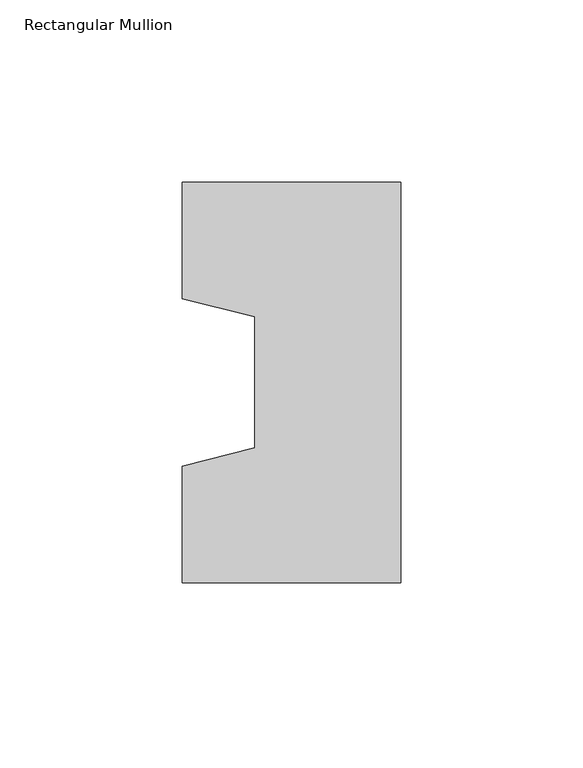
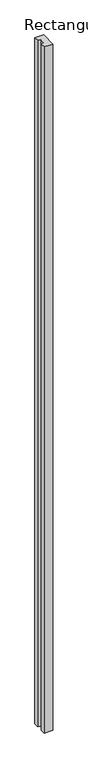
"""IFC4 building model written with IfcOpenShell, lengths in millimetres: column geometry, Rectangular Mullion."""

import ifcopenshell
import ifcopenshell.guid

model = None  # the IFC model being written
_history = None  # IfcOwnerHistory: only IFC2X3 demands one
_inside = {}  # id of a spatial element -> (the spatial element, [elements in it])
_under = {}  # id of a project, library or spatial element -> (it, [spatial elements below it])
_declared = {}  # id of a project -> (the project, [libraries it declares])
_typed = {}  # id of a type object -> (the type object, [elements of that type])
_made_of = {}  # id of a material, layer set ... -> (it, [elements and type objects made of it])


def new_model(schema):
    """Start an empty IFC model of exactly this schema.

    Asked for "IFC4X3", IfcOpenShell would pick the latest addendum, in which some entities
    have other attributes; the version numbers below select the first issue.
    IFC2X3 requires an IfcOwnerHistory on every rooted entity: one is made here for all.
    """
    global model, _history
    if schema == "IFC4X3":
        model = ifcopenshell.file(schema_version=(4, 3, 0, 0))
    else:
        model = ifcopenshell.file(schema=schema)
    _inside.clear()
    _under.clear()
    _declared.clear()
    _typed.clear()
    _made_of.clear()
    _history = None
    if model.schema == "IFC2X3":
        org = make("IfcOrganization", Name="unknown")
        user = make(
            "IfcPersonAndOrganization",
            ThePerson=make("IfcPerson", FamilyName="unknown"),
            TheOrganization=org,
        )
        app = make(
            "IfcApplication",
            ApplicationDeveloper=org,
            Version="unknown",
            ApplicationFullName="unknown",
            ApplicationIdentifier="unknown",
        )
        _history = make(
            "IfcOwnerHistory",
            OwningUser=user,
            OwningApplication=app,
            ChangeAction="ADDED",
            CreationDate=0,
        )
    return model


def make(cls, **values):
    """One entity of the class cls with the attributes given. An attribute that is None is left unset."""
    return model.create_entity(
        cls, **{name: value for name, value in values.items() if value is not None}
    )


def rooted(cls, **values):
    """An entity with a GlobalId (a new one), such as an element, a storey or a relation."""
    return make(cls, GlobalId=ifcopenshell.guid.new(), OwnerHistory=_history, **values)


def si_unit(unit_type, name, prefix=None):
    """IfcSIUnit, for example si_unit("LENGTHUNIT", "METRE", prefix="MILLI")."""
    return make("IfcSIUnit", UnitType=unit_type, Prefix=prefix, Name=name)


def assignment(units):
    """IfcUnitAssignment: the units of a project."""
    return None if units is None else make("IfcUnitAssignment", Units=units)


def point(xyz):
    """IfcCartesianPoint."""
    return None if xyz is None else make("IfcCartesianPoint", Coordinates=xyz)


def direction(xyz):
    """IfcDirection."""
    return None if xyz is None else make("IfcDirection", DirectionRatios=xyz)


def frame(location, z_axis=None, x_axis=None):
    """IfcAxis2Placement3D, a coordinate frame: its origin and axes. An axis left out is left unset."""
    return make(
        "IfcAxis2Placement3D",
        Location=point(location),
        Axis=direction(z_axis),
        RefDirection=direction(x_axis),
    )


def origin():
    """The frame at (0, 0, 0) with its axes left unset."""
    return frame((0.0, 0.0, 0.0))


def place(relative_to, where):
    """IfcLocalPlacement: puts the frame where relative to a parent placement (None: the world)."""
    return make(
        "IfcLocalPlacement", PlacementRelTo=relative_to, RelativePlacement=where
    )


def context(
    kind, dimensions, precision=None, world=None, true_north=None, identifier=None
):
    """IfcGeometricRepresentationContext, for example the 3D "Model" context."""
    return make(
        "IfcGeometricRepresentationContext",
        ContextIdentifier=identifier,
        ContextType=kind,
        CoordinateSpaceDimension=dimensions,
        Precision=precision,
        WorldCoordinateSystem=world,
        TrueNorth=true_north,
    )


def project(units=None, contexts=None):
    """IfcProject with its units and contexts."""
    return rooted(
        "IfcProject",
        Name="project",
        RepresentationContexts=contexts,
        UnitsInContext=assignment(units),
    )


def spatial(cls, under=None, at=None, **own):
    """A site, building, storey or space (cls), placed at a placement, below another one or the project."""
    s = rooted(cls, ObjectPlacement=at, **own)
    if under is not None:
        _under.setdefault(under.id(), (under, []))[1].append(s)
    return s


def polyline(points):
    """IfcPolyline through the points."""
    return make("IfcPolyline", Points=[point(p) for p in points])


def outline(outer, holes=None, kind="AREA"):
    """IfcArbitraryClosedProfileDef: a profile drawn as a closed curve; with holes, ...WithVoids."""
    if holes is None:
        return make("IfcArbitraryClosedProfileDef", ProfileType=kind, OuterCurve=outer)
    return make(
        "IfcArbitraryProfileDefWithVoids",
        ProfileType=kind,
        OuterCurve=outer,
        InnerCurves=holes,
    )


def extrude(swept, where, along, depth):
    """IfcExtrudedAreaSolid: the profile swept, set in the frame where, extruded along a direction by depth."""
    return make(
        "IfcExtrudedAreaSolid",
        SweptArea=swept,
        Position=where,
        ExtrudedDirection=direction(along),
        Depth=depth,
    )


def shape(context_of_items, identifier, shape_type, items):
    """IfcShapeRepresentation: the items that make up one representation, for example the "Body"."""
    return make(
        "IfcShapeRepresentation",
        ContextOfItems=context_of_items,
        RepresentationIdentifier=identifier,
        RepresentationType=shape_type,
        Items=items,
    )


def source(mapping_origin, context_of_items, identifier, shape_type, items):
    """IfcRepresentationMap: a shape defined once, which mapped items show again and again."""
    return make(
        "IfcRepresentationMap",
        MappingOrigin=mapping_origin,
        MappedRepresentation=shape(context_of_items, identifier, shape_type, items),
    )


def transform(
    local_origin,
    x_axis=None,
    y_axis=None,
    z_axis=None,
    scale=None,
    scale2=None,
    scale3=None,
    uniform=True,
):
    """IfcCartesianTransformationOperator3D, or its non-uniform kind. x_axis, y_axis, z_axis: its Axis1, 2, 3."""
    if uniform:
        return make(
            "IfcCartesianTransformationOperator3D",
            Axis1=direction(x_axis),
            Axis2=direction(y_axis),
            LocalOrigin=point(local_origin),
            Scale=scale,
            Axis3=direction(z_axis),
        )
    return make(
        "IfcCartesianTransformationOperator3DnonUniform",
        Axis1=direction(x_axis),
        Axis2=direction(y_axis),
        LocalOrigin=point(local_origin),
        Scale=scale,
        Axis3=direction(z_axis),
        Scale2=scale2,
        Scale3=scale3,
    )


def mapped(mapping_source, mapping_target):
    """IfcMappedItem: shows the shape of a source again, moved by a transform."""
    return make(
        "IfcMappedItem", MappingSource=mapping_source, MappingTarget=mapping_target
    )


def made_of(thing, what):
    """Note that an element or type object is made of a material, layer set ...; save() writes the relation."""
    if what is not None:
        _made_of.setdefault(what.id(), (what, []))[1].append(thing)
    return thing


def element(
    cls,
    number,
    at=None,
    inside=None,
    cuts=None,
    type_object=None,
    material=None,
    context=None,
    identifier="Body",
    shape_type=None,
    held_by="IfcProductDefinitionShape",
    body=None,
    shapes=None,
    **own,
):
    """One element of the class cls, such as IfcWall. Its Tag is "e" and its number.

    at: its placement. inside: the storey or other place that contains it. cuts: it is an
    opening in that element (IfcRelVoidsElement). A single representation is given by context,
    identifier, shape_type and body (its items); several are given by shapes. held_by: the class
    of the entity that holds the representations. save() writes the other relations.
    """
    e = rooted(cls, Tag="e%d" % number, ObjectPlacement=at, **own)
    if body is not None:
        shapes = [shape(context, identifier, shape_type, body)]
    if shapes is not None:
        e.Representation = make(held_by, Representations=shapes)
    if inside is not None:
        _inside.setdefault(inside.id(), (inside, []))[1].append(e)
    if cuts is not None:
        rooted(
            "IfcRelVoidsElement", RelatingBuildingElement=cuts, RelatedOpeningElement=e
        )
    if type_object is not None:
        _typed.setdefault(type_object.id(), (type_object, []))[1].append(e)
    return made_of(e, material)


def aggregate(whole, parts):
    """IfcRelAggregates: a whole, such as a stair, and the parts it consists of."""
    return rooted("IfcRelAggregates", RelatingObject=whole, RelatedObjects=parts)


def save(model, path):
    """Write the relations noted so far, then the file.

    IfcRelAggregates (storeys below a building ...), IfcRelContainedInSpatialStructure (elements
    in a storey), IfcRelDefinesByType, IfcRelAssociatesMaterial and IfcRelDeclares: one each for
    every whole, place, type object, material and project.
    """
    for whole, parts in _under.values():
        aggregate(whole, parts)
    for where, things in _inside.values():
        rooted(
            "IfcRelContainedInSpatialStructure",
            RelatedElements=things,
            RelatingStructure=where,
        )
    for kind, things in _typed.values():
        rooted("IfcRelDefinesByType", RelatedObjects=things, RelatingType=kind)
    for what, things in _made_of.values():
        rooted("IfcRelAssociatesMaterial", RelatedObjects=things, RelatingMaterial=what)
    for by, libraries in _declared.values():
        rooted("IfcRelDeclares", RelatingContext=by, RelatedDefinitions=libraries)
    model.write(path)


def rectangular_mullion_cb7187a4(model_context):
    return source(origin(), model_context, "Body", "SweptSolid", [
        extrude(outline(polyline([(-60.0, 55.0), (0.0, 55.0), (0.0, -55.0), (-60.0, -55.0), (-60.0, -23.0), (-40.0, -18.0), (-40.0, 18.0), (-60.0, 23.0), (-60.0, 55.0)])), frame((0.0, 0.0, -5000.0), z_axis=(0.0, 0.0, 1.0), x_axis=(1.0, 0.0, 0.0)), (0.0, 0.0, 1.0), 5000.0),
    ])


if __name__ == "__main__":
    model = new_model("IFC4")
    model_context = context("Model", 3, world=origin())
    ifc_project = project(units=[si_unit("LENGTHUNIT", "METRE", prefix="MILLI")], contexts=[model_context])
    site = spatial("IfcSite", under=ifc_project)
    building = spatial("IfcBuilding", under=site)
    placement = place(None, origin())
    rectangular_mullion_shape = rectangular_mullion_cb7187a4(model_context)
    element("IfcColumn", 1, ObjectType="Rectangular Mullion", at=placement, inside=building, context=model_context, shape_type="MappedRepresentation", body=[
        mapped(rectangular_mullion_shape, transform((0.0, 0.0, 0.0), x_axis=(1.0, 0.0, 0.0), y_axis=(0.0, 1.0, 0.0), z_axis=(0.0, 0.0, 1.0))),
    ])
    save(model, "model.ifc")
